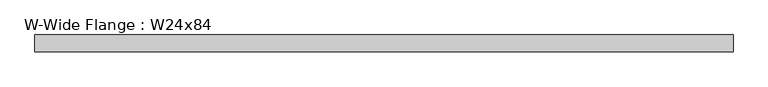
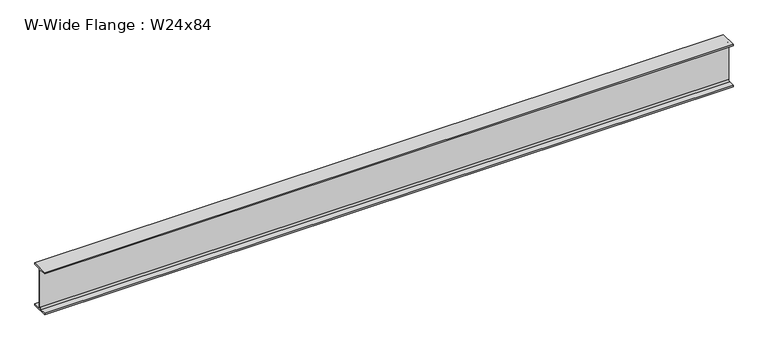
"""IFC4 building model written with IfcOpenShell, lengths in millimetres: beam geometry, W-Wide Flange : W24x84."""

import ifcopenshell
import ifcopenshell.guid

model = None  # the IFC model being written
_history = None  # IfcOwnerHistory: only IFC2X3 demands one
_inside = {}  # id of a spatial element -> (the spatial element, [elements in it])
_under = {}  # id of a project, library or spatial element -> (it, [spatial elements below it])
_declared = {}  # id of a project -> (the project, [libraries it declares])
_typed = {}  # id of a type object -> (the type object, [elements of that type])
_made_of = {}  # id of a material, layer set ... -> (it, [elements and type objects made of it])


def new_model(schema):
    """Start an empty IFC model of exactly this schema.

    Asked for "IFC4X3", IfcOpenShell would pick the latest addendum, in which some entities
    have other attributes; the version numbers below select the first issue.
    IFC2X3 requires an IfcOwnerHistory on every rooted entity: one is made here for all.
    """
    global model, _history
    if schema == "IFC4X3":
        model = ifcopenshell.file(schema_version=(4, 3, 0, 0))
    else:
        model = ifcopenshell.file(schema=schema)
    _inside.clear()
    _under.clear()
    _declared.clear()
    _typed.clear()
    _made_of.clear()
    _history = None
    if model.schema == "IFC2X3":
        org = make("IfcOrganization", Name="unknown")
        user = make(
            "IfcPersonAndOrganization",
            ThePerson=make("IfcPerson", FamilyName="unknown"),
            TheOrganization=org,
        )
        app = make(
            "IfcApplication",
            ApplicationDeveloper=org,
            Version="unknown",
            ApplicationFullName="unknown",
            ApplicationIdentifier="unknown",
        )
        _history = make(
            "IfcOwnerHistory",
            OwningUser=user,
            OwningApplication=app,
            ChangeAction="ADDED",
            CreationDate=0,
        )
    return model


def make(cls, **values):
    """One entity of the class cls with the attributes given. An attribute that is None is left unset."""
    return model.create_entity(
        cls, **{name: value for name, value in values.items() if value is not None}
    )


def rooted(cls, **values):
    """An entity with a GlobalId (a new one), such as an element, a storey or a relation."""
    return make(cls, GlobalId=ifcopenshell.guid.new(), OwnerHistory=_history, **values)


def si_unit(unit_type, name, prefix=None):
    """IfcSIUnit, for example si_unit("LENGTHUNIT", "METRE", prefix="MILLI")."""
    return make("IfcSIUnit", UnitType=unit_type, Prefix=prefix, Name=name)


def assignment(units):
    """IfcUnitAssignment: the units of a project."""
    return None if units is None else make("IfcUnitAssignment", Units=units)


def point(xyz):
    """IfcCartesianPoint."""
    return None if xyz is None else make("IfcCartesianPoint", Coordinates=xyz)


def direction(xyz):
    """IfcDirection."""
    return None if xyz is None else make("IfcDirection", DirectionRatios=xyz)


def frame(location, z_axis=None, x_axis=None):
    """IfcAxis2Placement3D, a coordinate frame: its origin and axes. An axis left out is left unset."""
    return make(
        "IfcAxis2Placement3D",
        Location=point(location),
        Axis=direction(z_axis),
        RefDirection=direction(x_axis),
    )


def frame_2d(location, x_axis=None):
    """IfcAxis2Placement2D, a coordinate frame in the plane: its origin and x axis."""
    return make(
        "IfcAxis2Placement2D", Location=point(location), RefDirection=direction(x_axis)
    )


def origin():
    """The frame at (0, 0, 0) with its axes left unset."""
    return frame((0.0, 0.0, 0.0))


def place(relative_to, where):
    """IfcLocalPlacement: puts the frame where relative to a parent placement (None: the world)."""
    return make(
        "IfcLocalPlacement", PlacementRelTo=relative_to, RelativePlacement=where
    )


def context(
    kind, dimensions, precision=None, world=None, true_north=None, identifier=None
):
    """IfcGeometricRepresentationContext, for example the 3D "Model" context."""
    return make(
        "IfcGeometricRepresentationContext",
        ContextIdentifier=identifier,
        ContextType=kind,
        CoordinateSpaceDimension=dimensions,
        Precision=precision,
        WorldCoordinateSystem=world,
        TrueNorth=true_north,
    )


def project(units=None, contexts=None):
    """IfcProject with its units and contexts."""
    return rooted(
        "IfcProject",
        Name="project",
        RepresentationContexts=contexts,
        UnitsInContext=assignment(units),
    )


def spatial(cls, under=None, at=None, **own):
    """A site, building, storey or space (cls), placed at a placement, below another one or the project."""
    s = rooted(cls, ObjectPlacement=at, **own)
    if under is not None:
        _under.setdefault(under.id(), (under, []))[1].append(s)
    return s


def polyline(points):
    """IfcPolyline through the points."""
    return make("IfcPolyline", Points=[point(p) for p in points])


def circle_curve(where, radius):
    """IfcCircle in the frame where."""
    return make("IfcCircle", Position=where, Radius=radius)


def trimmed(basis, trim1, trim2, sense, master):
    """IfcTrimmedCurve: the piece of a basis curve between two trims."""
    return make(
        "IfcTrimmedCurve",
        BasisCurve=basis,
        Trim1=trim1,
        Trim2=trim2,
        SenseAgreement=sense,
        MasterRepresentation=master,
    )


def segment(curve, same_sense, transition):
    """IfcCompositeCurveSegment."""
    return make(
        "IfcCompositeCurveSegment",
        Transition=transition,
        SameSense=same_sense,
        ParentCurve=curve,
    )


def composite_curve(segments, self_intersect=None):
    """IfcCompositeCurve: segments joined end to end."""
    return make("IfcCompositeCurve", Segments=segments, SelfIntersect=self_intersect)


def outline(outer, holes=None, kind="AREA"):
    """IfcArbitraryClosedProfileDef: a profile drawn as a closed curve; with holes, ...WithVoids."""
    if holes is None:
        return make("IfcArbitraryClosedProfileDef", ProfileType=kind, OuterCurve=outer)
    return make(
        "IfcArbitraryProfileDefWithVoids",
        ProfileType=kind,
        OuterCurve=outer,
        InnerCurves=holes,
    )


def extrude(swept, where, along, depth):
    """IfcExtrudedAreaSolid: the profile swept, set in the frame where, extruded along a direction by depth."""
    return make(
        "IfcExtrudedAreaSolid",
        SweptArea=swept,
        Position=where,
        ExtrudedDirection=direction(along),
        Depth=depth,
    )


def shape(context_of_items, identifier, shape_type, items):
    """IfcShapeRepresentation: the items that make up one representation, for example the "Body"."""
    return make(
        "IfcShapeRepresentation",
        ContextOfItems=context_of_items,
        RepresentationIdentifier=identifier,
        RepresentationType=shape_type,
        Items=items,
    )


def source(mapping_origin, context_of_items, identifier, shape_type, items):
    """IfcRepresentationMap: a shape defined once, which mapped items show again and again."""
    return make(
        "IfcRepresentationMap",
        MappingOrigin=mapping_origin,
        MappedRepresentation=shape(context_of_items, identifier, shape_type, items),
    )


def transform(
    local_origin,
    x_axis=None,
    y_axis=None,
    z_axis=None,
    scale=None,
    scale2=None,
    scale3=None,
    uniform=True,
):
    """IfcCartesianTransformationOperator3D, or its non-uniform kind. x_axis, y_axis, z_axis: its Axis1, 2, 3."""
    if uniform:
        return make(
            "IfcCartesianTransformationOperator3D",
            Axis1=direction(x_axis),
            Axis2=direction(y_axis),
            LocalOrigin=point(local_origin),
            Scale=scale,
            Axis3=direction(z_axis),
        )
    return make(
        "IfcCartesianTransformationOperator3DnonUniform",
        Axis1=direction(x_axis),
        Axis2=direction(y_axis),
        LocalOrigin=point(local_origin),
        Scale=scale,
        Axis3=direction(z_axis),
        Scale2=scale2,
        Scale3=scale3,
    )


def mapped(mapping_source, mapping_target):
    """IfcMappedItem: shows the shape of a source again, moved by a transform."""
    return make(
        "IfcMappedItem", MappingSource=mapping_source, MappingTarget=mapping_target
    )


def made_of(thing, what):
    """Note that an element or type object is made of a material, layer set ...; save() writes the relation."""
    if what is not None:
        _made_of.setdefault(what.id(), (what, []))[1].append(thing)
    return thing


def element(
    cls,
    number,
    at=None,
    inside=None,
    cuts=None,
    type_object=None,
    material=None,
    context=None,
    identifier="Body",
    shape_type=None,
    held_by="IfcProductDefinitionShape",
    body=None,
    shapes=None,
    **own,
):
    """One element of the class cls, such as IfcWall. Its Tag is "e" and its number.

    at: its placement. inside: the storey or other place that contains it. cuts: it is an
    opening in that element (IfcRelVoidsElement). A single representation is given by context,
    identifier, shape_type and body (its items); several are given by shapes. held_by: the class
    of the entity that holds the representations. save() writes the other relations.
    """
    e = rooted(cls, Tag="e%d" % number, ObjectPlacement=at, **own)
    if body is not None:
        shapes = [shape(context, identifier, shape_type, body)]
    if shapes is not None:
        e.Representation = make(held_by, Representations=shapes)
    if inside is not None:
        _inside.setdefault(inside.id(), (inside, []))[1].append(e)
    if cuts is not None:
        rooted(
            "IfcRelVoidsElement", RelatingBuildingElement=cuts, RelatedOpeningElement=e
        )
    if type_object is not None:
        _typed.setdefault(type_object.id(), (type_object, []))[1].append(e)
    return made_of(e, material)


def aggregate(whole, parts):
    """IfcRelAggregates: a whole, such as a stair, and the parts it consists of."""
    return rooted("IfcRelAggregates", RelatingObject=whole, RelatedObjects=parts)


def save(model, path):
    """Write the relations noted so far, then the file.

    IfcRelAggregates (storeys below a building ...), IfcRelContainedInSpatialStructure (elements
    in a storey), IfcRelDefinesByType, IfcRelAssociatesMaterial and IfcRelDeclares: one each for
    every whole, place, type object, material and project.
    """
    for whole, parts in _under.values():
        aggregate(whole, parts)
    for where, things in _inside.values():
        rooted(
            "IfcRelContainedInSpatialStructure",
            RelatedElements=things,
            RelatingStructure=where,
        )
    for kind, things in _typed.values():
        rooted("IfcRelDefinesByType", RelatedObjects=things, RelatingType=kind)
    for what, things in _made_of.values():
        rooted("IfcRelAssociatesMaterial", RelatedObjects=things, RelatingMaterial=what)
    for by, libraries in _declared.values():
        rooted("IfcRelDeclares", RelatingContext=by, RelatedDefinitions=libraries)
    model.write(path)


def w_wide_flange_w24x84_880f2523(model_context):
    return source(origin(), model_context, "Body", "SweptSolid", [
        extrude(outline(composite_curve([segment(polyline([(114.554, -286.512), (114.554, -306.07), (-114.554, -306.07), (-114.554, -286.512), (-29.2735, -286.512)]), True, "CONTINUOUS"), segment(trimmed(circle_curve(frame_2d((-29.2735, -263.2075)), 23.3045), [point((-29.2735, -286.512))], [point((-5.969, -263.2075))], True, "CARTESIAN"), True, "CONTINUOUS"), segment(polyline([(-5.969, -263.2075), (-5.969, 263.2075)]), True, "CONTINUOUS"), segment(trimmed(circle_curve(frame_2d((-29.2735, 263.2075)), 23.3045), [point((-5.969, 263.2075))], [point((-29.2735, 286.512))], True, "CARTESIAN"), True, "CONTINUOUS"), segment(polyline([(-29.2735, 286.512), (-114.554, 286.512), (-114.554, 306.07), (114.554, 306.07), (114.554, 286.512), (29.2735, 286.512)]), True, "CONTINUOUS"), segment(trimmed(circle_curve(frame_2d((29.2735, 263.2075)), 23.3045), [point((29.2735, 286.512))], [point((5.969, 263.2075))], True, "CARTESIAN"), True, "CONTINUOUS"), segment(polyline([(5.969, 263.2075), (5.969, -263.2075)]), True, "CONTINUOUS"), segment(trimmed(circle_curve(frame_2d((29.2735, -263.2075)), 23.3045), [point((5.969, -263.2075))], [point((29.2735, -286.512))], True, "CARTESIAN"), True, "CONTINUOUS"), segment(polyline([(29.2735, -286.512), (114.554, -286.512)]), True, "CONTINUOUS")], self_intersect=False)), frame((-4707.89, 0.0, 0.0), z_axis=(1.0, 0.0, 0.0), x_axis=(0.0, 1.0, 0.0)), (0.0, 0.0, 1.0), 9442.45),
    ])


if __name__ == "__main__":
    model = new_model("IFC4")
    model_context = context("Model", 3, world=origin())
    ifc_project = project(units=[si_unit("LENGTHUNIT", "METRE", prefix="MILLI")], contexts=[model_context])
    site = spatial("IfcSite", under=ifc_project)
    building = spatial("IfcBuilding", under=site)
    placement = place(None, origin())
    w_wide_flange_w24x84_shape = w_wide_flange_w24x84_880f2523(model_context)
    element("IfcBeam", 1, ObjectType="W-Wide Flange : W24x84", at=placement, inside=building, context=model_context, shape_type="MappedRepresentation", body=[
        mapped(w_wide_flange_w24x84_shape, transform((0.0, 0.0, 0.0), x_axis=(1.0, 0.0, 0.0), y_axis=(0.0, 1.0, 0.0), z_axis=(0.0, 0.0, 1.0))),
    ])
    save(model, "model.ifc")
